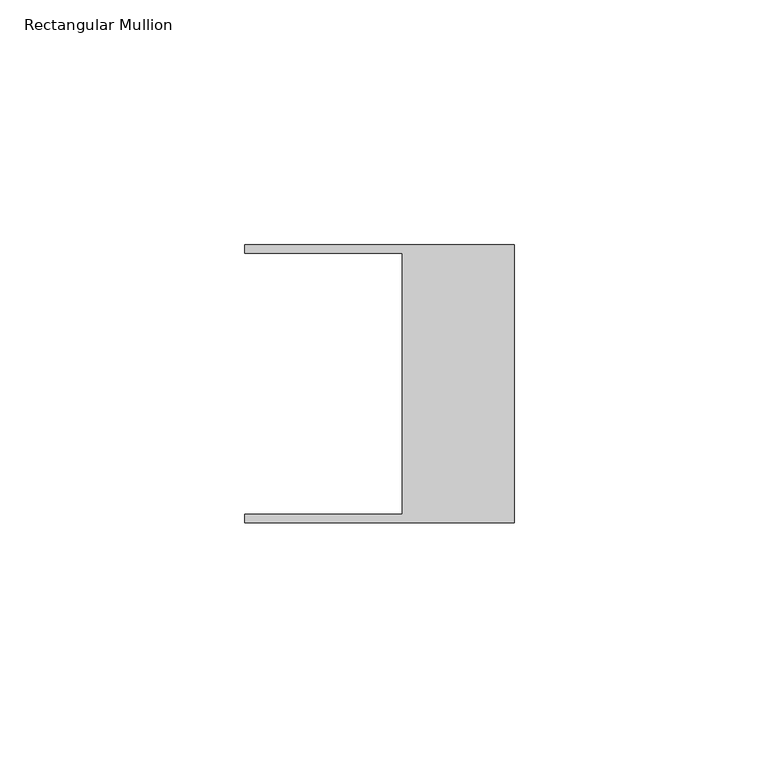
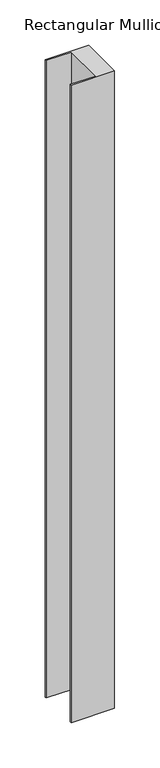
"""IFC4 building model written with IfcOpenShell, lengths in millimetres: member geometry, Rectangular Mullion."""

from ifc_helpers import new_model, si_unit, frame, origin, place, context, project, spatial, polyline, outline, extrude, source, transform, mapped, element, save


def rectangular_mullion_a901b321(model_context):
    return source(origin(), model_context, "Body", "SweptSolid", [
        extrude(outline(polyline([(-55.118, -26.67), (-22.86, -26.67), (-22.86, 26.67), (-55.118, 26.67), (-55.118, 28.448), (0.0, 28.448), (0.0, -28.448), (-55.118, -28.448), (-55.118, -26.67)])), frame((0.0, 0.0, -858.836737), z_axis=(0.0, 0.0, 1.0), x_axis=(1.0, 0.0, 0.0)), (0.0, 0.0, 1.0), 858.836737),
    ])


if __name__ == "__main__":
    model = new_model("IFC4")
    model_context = context("Model", 3, world=origin())
    ifc_project = project(units=[si_unit("LENGTHUNIT", "METRE", prefix="MILLI")], contexts=[model_context])
    site = spatial("IfcSite", under=ifc_project)
    building = spatial("IfcBuilding", under=site)
    placement = place(None, origin())
    rectangular_mullion_shape = rectangular_mullion_a901b321(model_context)
    element("IfcMember", 1, ObjectType="Rectangular Mullion", at=placement, inside=building, context=model_context, shape_type="MappedRepresentation", body=[
        mapped(rectangular_mullion_shape, transform((0.0, 0.0, 0.0), x_axis=(1.0, 0.0, 0.0), y_axis=(0.0, 1.0, 0.0), z_axis=(0.0, 0.0, 1.0))),
    ])
    save(model, "model.ifc")
